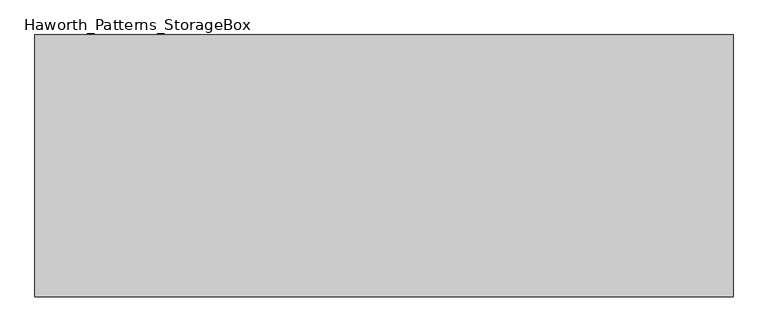
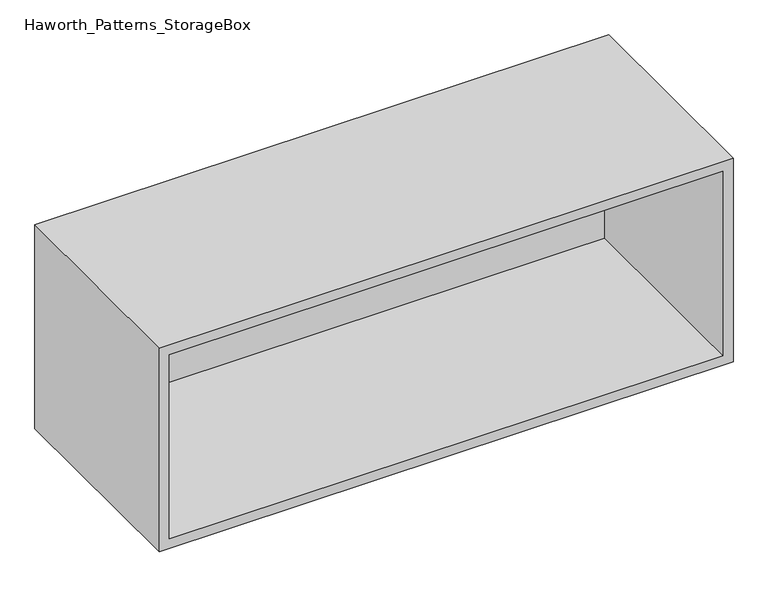
"""IFC4 building model written with IfcOpenShell, lengths in millimetres: furniture geometry, Haworth_Patterns_StorageBox."""

from ifc_helpers import new_model, si_unit, frame, origin, place, context, project, spatial, polyline, outline, extrude, source, transform, mapped, element, save


def haworth_patterns_storagebox_08d66817(model_context):
    return source(origin(), model_context, "Body", "SweptSolid", [
        extrude(outline(polyline([(-314.325, -346.075), (-314.325, -53.975), (644.525, -53.975), (644.525, -346.075), (-314.325, -346.075)])), frame((0.0, 0.0, 762.0), z_axis=(0.0, 0.0, 1.0), x_axis=(1.0, 0.0, 0.0)), (0.0, 0.0, 1.0), 19.05),
        extrude(outline(polyline([(679.45, -19.05), (-349.25, -19.05), (-349.25, 0.0), (679.45, 0.0), (679.45, -19.05)])), frame((0.0, 0.0, 800.1), z_axis=(0.0, 0.0, 1.0), x_axis=(1.0, 0.0, 0.0)), (0.0, 0.0, 1.0), 361.95),
        extrude(outline(polyline([(781.05, 698.5), (1181.1, 698.5), (1181.1, -368.3), (781.05, -368.3), (781.05, 698.5)]), holes=[polyline([(1162.05, 679.45), (800.1, 679.45), (800.1, -349.25), (1162.05, -349.25), (1162.05, 679.45)])]), frame((0.0, -400.05, 0.0), z_axis=(0.0, 1.0, 0.0), x_axis=(0.0, 0.0, 1.0)), (0.0, 0.0, 1.0), 400.05),
    ])


if __name__ == "__main__":
    model = new_model("IFC4")
    model_context = context("Model", 3, world=origin())
    ifc_project = project(units=[si_unit("LENGTHUNIT", "METRE", prefix="MILLI")], contexts=[model_context])
    site = spatial("IfcSite", under=ifc_project)
    building = spatial("IfcBuilding", under=site)
    placement = place(None, origin())
    haworth_patterns_storagebox_shape = haworth_patterns_storagebox_08d66817(model_context)
    element("IfcFurniture", 1, ObjectType="Haworth_Patterns_StorageBox", at=placement, inside=building, context=model_context, shape_type="MappedRepresentation", body=[
        mapped(haworth_patterns_storagebox_shape, transform((0.0, 0.0, 0.0), x_axis=(1.0, 0.0, 0.0), y_axis=(0.0, 1.0, 0.0), z_axis=(0.0, 0.0, 1.0))),
    ])
    save(model, "model.ifc")
